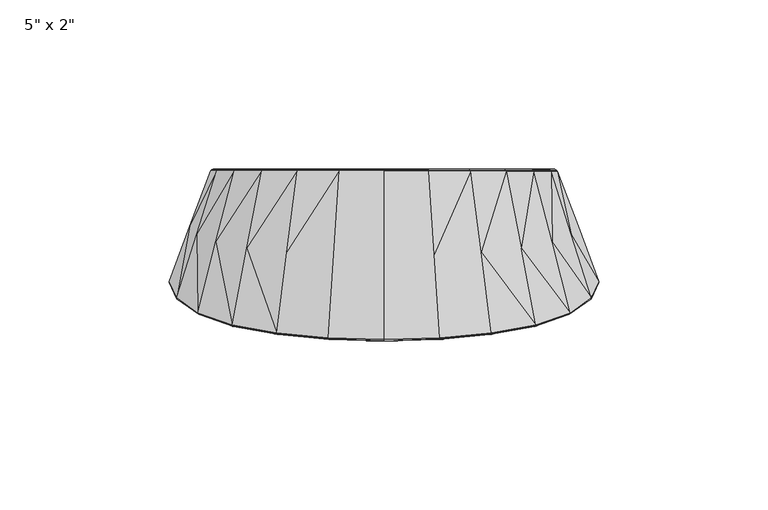
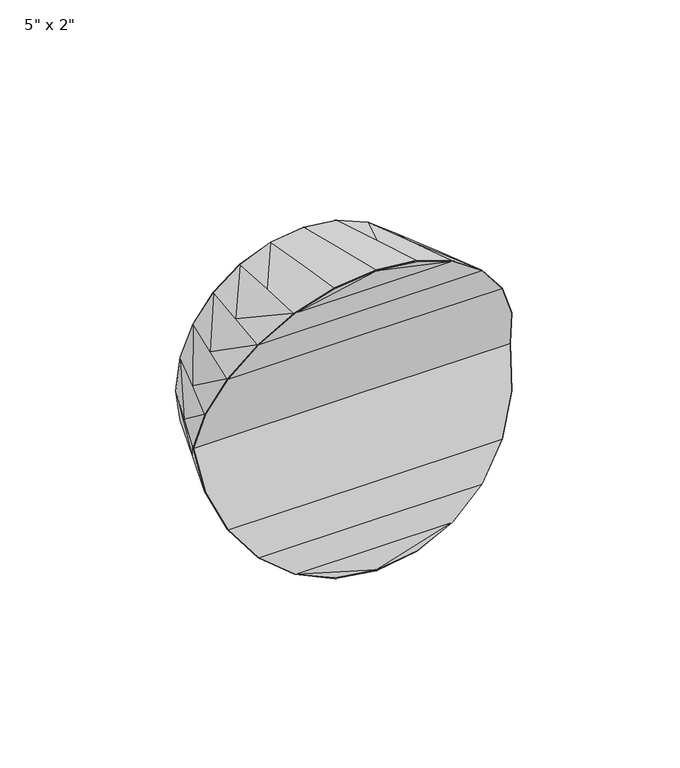
"""IFC4 building model written with IfcOpenShell, lengths in millimetres: furniture geometry."""

from ifc_helpers import new_model, si_unit, origin, place, context, project, spatial, triangles, source, transform, mapped, element, save


def furniture_8d07ec9f(model_context):
    return source(origin(), model_context, "Body", "Tessellation", [
        triangles([(28.6598422, 0.8714033, 113.1401689), (36.1682252, 24.8031531, 99.6682078), (25.5717472, 24.801652, 107.7915855), (40.5311198, 2.0718028, 104.0310956), (14.8354703, 0.1204024, 118.8664636), (13.2360687, 24.8007527, 112.8974693), (0.0001, -0.0563999, 120.8195512), (9.56e-05, 24.9136501, 114.6389691), (-14.8353692, 0.1769971, 118.8664636), (-13.2359778, 24.9139476, 112.8974693), (-28.6597423, 0.9279931, 113.1401689), (-25.5716518, 24.9148469, 107.7915855), (-40.5310199, 2.1283887, 104.0310956), (-36.1681321, 24.9164433, 99.6682078), (-49.6401023, 3.9245836, 92.1598271), (-44.3055124, 24.9192411, 89.0799278), (-55.3663879, 6.1605779, 78.3354529), (-49.4308082, 24.923842, 76.7450521), (-57.3194846, 8.5584728, 63.5000712), (-51.1940999, 24.9307389, 63.5000712), (-60.9516711, -13.0786837, 79.9663399), (1.4e-06, -8.283083, 63.5000712), (2.3e-06, -13.0786734, 79.96624), (-63.1195757, -8.2830944, 63.5000712), (-63.4448738, -7.813895, 63.5000712), (-55.3663879, 6.2090778, 48.6646985), (-61.3019768, -12.6026873, 47.0743069), (-49.6401023, 3.9731833, 34.8403311), (-54.9747876, -17.0699746, 31.7604365), (-40.5310199, 2.1768885, 22.9690536), (-44.8939076, -20.6595652, 18.6062623), (-28.6597423, 0.976493, 13.8599711), (-31.7477351, -23.0588623, 8.5113832), (-14.8353692, 0.225497, 8.1336844), (-16.4347629, -24.5599539, 2.1646956), (0.0, -0.0078, 6.1805877), (4.4e-06, -25.0263499, 0.0), (14.8353692, 0.1689022, 8.1336844), (16.4347697, -24.5599471, 2.1646956), (28.6597423, 0.9199032, 13.8599711), (31.7478396, -23.058851, 8.5113832), (40.5310199, 2.1203027, 22.9690536), (44.8939167, -20.6595516, 18.6062623), (49.6402022, 3.916501, 34.8403311), (54.9747967, -17.0699564, 31.7603388), (55.3664879, 6.1524974, 48.6646985), (61.3020812, -12.6026646, 47.0742069), (57.3195845, 8.5018929, 63.5000712), (63.4449737, -7.8138728, 63.5000712), (55.3664879, 6.1039981, 78.3354529), (61.3020812, -12.6026646, 79.9258445), (49.6402022, 3.8680009, 92.1598271), (54.974892, -17.0699564, 95.2397081), (44.8939167, -20.6595516, 108.3938743), (31.7478396, -23.058851, 118.4887614), (16.4348707, -24.5599471, 124.835358), (0.0001044, -25.0263499, 127.0001423), (-16.4346641, -24.5599539, 124.8354489), (-31.7477351, -23.0588623, 118.4888613), (-44.8938032, -20.6595652, 108.3939833), (-54.9747876, -17.0699746, 95.239808), (-61.3019768, -12.6026873, 79.9259354), (63.1195757, -8.2830723, 63.5000712), (2.3e-06, -13.0786734, 47.0339114), (60.9517801, -13.0786632, 47.0339114), (3.1e-06, -17.5506638, 95.3103161), (-54.5959862, -17.5506729, 95.3103161), (0.0001037, -21.143059, 108.486583), (-44.4855069, -21.1430658, 108.486583), (0.0001041, -23.5439549, 118.596967), (-31.3092331, -23.5439594, 118.5970578), (0.0001044, -25.3999485, 126.6324413), (-16.3322653, -24.9347516, 124.4781487), (3.1e-06, -17.5506638, 31.689833), (54.5960907, -17.5506547, 31.689833), (3.7e-06, -21.143059, 18.5136626), (44.4856113, -21.1430499, 18.5135627), (4.1e-06, -23.5439549, 8.4031827), (31.3093398, -23.5439481, 8.4031827), (4.4e-06, -25.3999485, 0.3676993), (16.3322721, -24.9347448, 2.521995), (60.9517801, -13.0786632, 79.96624), (-60.9516711, -13.0786837, 47.0339114), (54.5960907, -17.5506547, 95.3103161), (44.4856113, -21.1430499, 108.4864922), (31.3093398, -23.5439481, 118.596967), (-54.5959862, -17.5506729, 31.689833), (-44.4855069, -21.1430658, 18.5136626), (-31.3092331, -23.5439594, 8.4031827), (16.3323697, -24.9347448, 124.4781487), (-16.3322653, -24.9347516, 2.521995), (-50.517606, 25.3999372, 63.5000712), (-43.7495144, 25.3999394, 38.2413249), (-48.7920027, 25.3999372, 50.4262961), (-4.4e-06, 25.3999485, 63.5000712), (-25.2587553, 25.399944, 19.7505591), (-35.7182322, 25.3999417, 27.7818457), (-4.4e-06, 25.3999485, 12.9825742), (-13.0737784, 25.3999463, 14.7080696), (25.2588461, 25.3999508, 19.7505591), (13.0737694, 25.3999485, 14.7080696), (43.7495053, 25.3999553, 38.2413249), (35.7183208, 25.3999531, 27.7818457), (50.5175969, 25.3999576, 63.5000712), (48.7920981, 25.3999576, 50.4262961), (43.7495053, 25.3999553, 88.7588264), (48.7920981, 25.3999576, 76.5738507), (25.2588461, 25.3999508, 107.2495855), (35.7183208, 25.3999531, 99.2182898), (9.56e-05, 25.3999485, 114.017668), (13.0738693, 25.3999485, 112.2920739), (-25.2587553, 25.399944, 107.2495855), (-13.0737784, 25.3999463, 112.2920739), (-43.7495144, 25.3999394, 88.7589264), (-35.7182322, 25.3999417, 99.2182898), (-48.7920027, 25.3999372, 76.5739416), (-63.4513732, -8.1657943, 63.5000712), (-61.2897773, -12.9596854, 47.044008), (-54.9411868, -17.4304745, 31.7074351), (-44.8381062, -21.0222656, 18.5367637), (-31.6693287, -23.4227595, 8.430183), (-16.4248627, -24.8966544, 2.1953955), (4.4e-06, -25.3628482, 0.0316999), (16.4248707, -24.8966476, 2.1953955), (31.6694378, -23.4227482, 8.430183), (44.8381152, -21.022252, 18.5367637), (54.9411913, -17.4304563, 31.7074351), (61.2897818, -12.9596627, 47.044008), (63.4513732, -8.1657721, 63.5000712), (61.2898863, -12.9596627, 79.9561388), (54.9412912, -17.4304563, 95.2926119), (44.8382106, -21.022252, 108.4633741), (31.6694378, -23.4227482, 118.569961), (16.4249683, -24.8966476, 124.8047458), (0.0001044, -25.3628482, 126.96844), (-16.4247639, -24.8966544, 124.8047458), (-31.6693287, -23.4227595, 118.569961), (-44.8380062, -21.0222656, 108.4633741), (-54.9411868, -17.4304745, 95.2927118), (-61.2897773, -12.9596854, 79.9562297), (-49.1958026, 25.3779409, 50.3180996), (-50.9372024, 25.282641, 63.5000712), (-44.1054156, 25.3767418, 38.0358256), (-36.00933, 25.3760446, 27.4907457), (-25.462254, 25.375645, 19.3981596), (-13.1796779, 25.3754474, 14.3126711), (-4.4e-06, 25.375352, 12.5766749), (13.1797699, 25.2622525, 14.3126711), (25.4622449, 25.2624524, 19.3981596), (36.0094231, 25.2628521, 27.4907457), (44.1055064, 25.2635583, 38.0358256), (49.195798, 25.2647596, 50.3180996), (50.9371934, 25.1694575, 63.5000712), (49.195798, 25.1677588, 76.6820472), (44.1055064, 25.1665552, 88.9643281), (36.0094231, 25.1658558, 99.5094057), (25.4623471, 25.1654561, 107.6019895), (13.1797699, 25.1652495, 112.6874803), (9.56e-05, 25.2783512, 114.4234663), (-13.1796779, 25.2784466, 112.6874803), (-25.462254, 25.2786464, 107.6019895), (-36.00933, 25.2790438, 99.5094965), (-44.1054156, 25.2797433, 88.9644189), (-49.1957072, 25.2809423, 76.6820472), (-49.4308082, 25.0208406, 50.2551992), (-44.3055124, 25.0162419, 37.9203212), (-36.1681321, 25.0134441, 27.3319459), (-25.571754, 25.0118477, 19.2085591), (-13.2359778, 25.0109461, 14.1026718), (-4.4e-06, 25.0106509, 12.3611754), (13.2360687, 24.8977535, 14.1026718), (25.5717472, 24.8986528, 19.2085591), (36.1682252, 24.9002538, 27.3319459), (44.3055033, 24.9030562, 37.9203212), (49.4307991, 24.9076594, 50.2550993), (51.1941998, 24.8175599, 63.5000712), (49.4307991, 24.8106586, 76.7449522), (44.3056078, 24.8060599, 89.0798279)], [[1, 2, 3], [1, 4, 2], [5, 3, 6], [5, 1, 3], [7, 6, 8], [7, 5, 6], [9, 8, 10], [9, 7, 8], [11, 10, 12], [11, 9, 10], [13, 12, 14], [13, 11, 12], [15, 14, 16], [15, 13, 14], [17, 16, 18], [17, 15, 16], [19, 18, 20], [19, 17, 18], [21, 22, 23], [21, 24, 22], [25, 26, 27], [25, 19, 26], [27, 28, 29], [27, 26, 28], [29, 30, 31], [29, 28, 30], [31, 32, 33], [31, 30, 32], [33, 34, 35], [33, 32, 34], [35, 36, 37], [35, 34, 36], [37, 38, 39], [37, 36, 38], [39, 40, 41], [39, 38, 40], [41, 42, 43], [41, 40, 42], [43, 44, 45], [43, 42, 44], [45, 46, 47], [45, 44, 46], [47, 48, 49], [47, 46, 48], [49, 50, 51], [49, 48, 50], [51, 52, 53], [51, 50, 52], [53, 4, 54], [53, 52, 4], [54, 1, 55], [54, 4, 1], [55, 5, 56], [55, 1, 5], [56, 7, 57], [56, 5, 7], [57, 9, 58], [57, 7, 9], [58, 11, 59], [58, 9, 11], [59, 13, 60], [59, 11, 13], [60, 15, 61], [60, 13, 15], [61, 17, 62], [61, 15, 17], [62, 19, 25], [62, 17, 19], [63, 64, 65], [63, 22, 64], [21, 66, 67], [21, 23, 66], [67, 68, 69], [67, 66, 68], [69, 70, 71], [69, 68, 70], [71, 72, 73], [71, 70, 72], [65, 74, 75], [65, 64, 74], [75, 76, 77], [75, 74, 76], [77, 78, 79], [77, 76, 78], [79, 80, 81], [79, 78, 80], [23, 63, 82], [23, 22, 63], [64, 24, 83], [64, 22, 24], [66, 82, 84], [66, 23, 82], [68, 84, 85], [68, 66, 84], [70, 85, 86], [70, 68, 85], [74, 83, 87], [74, 64, 83], [76, 87, 88], [76, 74, 87], [78, 88, 89], [78, 76, 88], [72, 86, 90], [72, 70, 86], [80, 89, 91], [80, 78, 89], [92, 93, 94], [92, 95, 93], [93, 96, 97], [93, 95, 96], [96, 98, 99], [96, 95, 98], [98, 100, 101], [98, 95, 100], [100, 102, 103], [100, 95, 102], [102, 104, 105], [102, 95, 104], [104, 106, 107], [104, 95, 106], [106, 108, 109], [106, 95, 108], [108, 110, 111], [108, 95, 110], [110, 112, 113], [110, 95, 112], [112, 114, 115], [112, 95, 114], [114, 92, 116], [114, 95, 92], [83, 117, 118], [83, 24, 117], [87, 118, 119], [87, 83, 118], [88, 119, 120], [88, 87, 119], [89, 120, 121], [89, 88, 120], [91, 121, 122], [91, 89, 121], [80, 122, 123], [80, 91, 122], [81, 123, 124], [81, 80, 123], [79, 124, 125], [79, 81, 124], [77, 125, 126], [77, 79, 125], [75, 126, 127], [75, 77, 126], [65, 127, 128], [65, 75, 127], [63, 128, 129], [63, 65, 128], [82, 129, 130], [82, 63, 129], [84, 130, 131], [84, 82, 130], [85, 131, 132], [85, 84, 131], [86, 132, 133], [86, 85, 132], [90, 133, 134], [90, 86, 133], [72, 134, 135], [72, 90, 134], [73, 135, 136], [73, 72, 135], [71, 136, 137], [71, 73, 136], [69, 137, 138], [69, 71, 137], [67, 138, 139], [67, 69, 138], [21, 139, 140], [21, 67, 139], [24, 140, 117], [24, 21, 140], [92, 141, 142], [92, 94, 141], [94, 143, 141], [94, 93, 143], [93, 144, 143], [93, 97, 144], [97, 145, 144], [97, 96, 145], [96, 146, 145], [96, 99, 146], [99, 147, 146], [99, 98, 147], [98, 148, 147], [98, 101, 148], [101, 149, 148], [101, 100, 149], [100, 150, 149], [100, 103, 150], [103, 151, 150], [103, 102, 151], [102, 152, 151], [102, 105, 152], [105, 153, 152], [105, 104, 153], [104, 154, 153], [104, 107, 154], [107, 155, 154], [107, 106, 155], [106, 156, 155], [106, 109, 156], [109, 157, 156], [109, 108, 157], [108, 158, 157], [108, 111, 158], [111, 159, 158], [111, 110, 159], [110, 160, 159], [110, 113, 160], [113, 161, 160], [113, 112, 161], [112, 162, 161], [112, 115, 162], [115, 163, 162], [115, 114, 163], [114, 164, 163], [114, 116, 164], [116, 142, 164], [116, 92, 142], [118, 25, 27], [118, 117, 25], [119, 27, 29], [119, 118, 27], [120, 29, 31], [120, 119, 29], [121, 31, 33], [121, 120, 31], [122, 33, 35], [122, 121, 33], [123, 35, 37], [123, 122, 35], [124, 37, 39], [124, 123, 37], [125, 39, 41], [125, 124, 39], [126, 41, 43], [126, 125, 41], [127, 43, 45], [127, 126, 43], [128, 45, 47], [128, 127, 45], [129, 47, 49], [129, 128, 47], [130, 49, 51], [130, 129, 49], [131, 51, 53], [131, 130, 51], [132, 53, 54], [132, 131, 53], [133, 54, 55], [133, 132, 54], [134, 55, 56], [134, 133, 55], [135, 56, 57], [135, 134, 56], [136, 57, 58], [136, 135, 57], [137, 58, 59], [137, 136, 58], [138, 59, 60], [138, 137, 59], [139, 60, 61], [139, 138, 60], [140, 61, 62], [140, 139, 61], [117, 62, 25], [117, 140, 62], [142, 165, 20], [142, 141, 165], [141, 166, 165], [141, 143, 166], [143, 167, 166], [143, 144, 167], [144, 168, 167], [144, 145, 168], [145, 169, 168], [145, 146, 169], [146, 170, 169], [146, 147, 170], [147, 171, 170], [147, 148, 171], [148, 172, 171], [148, 149, 172], [149, 173, 172], [149, 150, 173], [150, 174, 173], [150, 151, 174], [151, 175, 174], [151, 152, 175], [152, 176, 175], [152, 153, 176], [153, 177, 176], [153, 154, 177], [154, 178, 177], [154, 155, 178], [155, 2, 178], [155, 156, 2], [156, 3, 2], [156, 157, 3], [157, 6, 3], [157, 158, 6], [158, 8, 6], [158, 159, 8], [159, 10, 8], [159, 160, 10], [160, 12, 10], [160, 161, 12], [161, 14, 12], [161, 162, 14], [162, 16, 14], [162, 163, 16], [163, 18, 16], [163, 164, 18], [164, 20, 18], [164, 142, 20], [26, 20, 165], [26, 19, 20], [28, 165, 166], [28, 26, 165], [30, 166, 167], [30, 28, 166], [32, 167, 168], [32, 30, 167], [34, 168, 169], [34, 32, 168], [36, 169, 170], [36, 34, 169], [38, 170, 171], [38, 36, 170], [40, 171, 172], [40, 38, 171], [42, 172, 173], [42, 40, 172], [44, 173, 174], [44, 42, 173], [46, 174, 175], [46, 44, 174], [48, 175, 176], [48, 46, 175], [50, 176, 177], [50, 48, 176], [52, 177, 178], [52, 50, 177], [4, 178, 2], [4, 52, 178]]),
    ])


if __name__ == "__main__":
    model = new_model("IFC4")
    model_context = context("Model", 3, world=origin())
    ifc_project = project(units=[si_unit("LENGTHUNIT", "METRE", prefix="MILLI")], contexts=[model_context])
    site = spatial("IfcSite", under=ifc_project)
    building = spatial("IfcBuilding", under=site)
    placement = place(None, origin())
    furniture_shape = furniture_8d07ec9f(model_context)
    element("IfcFurniture", 1, ObjectType="5\" x 2\"", at=placement, inside=building, context=model_context, shape_type="MappedRepresentation", body=[
        mapped(furniture_shape, transform((0.0, 0.0, 0.0), x_axis=(1.0, 0.0, 0.0), y_axis=(0.0, 1.0, 0.0), z_axis=(0.0, 0.0, 1.0))),
    ])
    save(model, "model.ifc")
